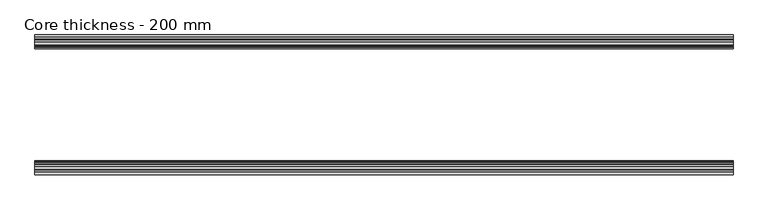
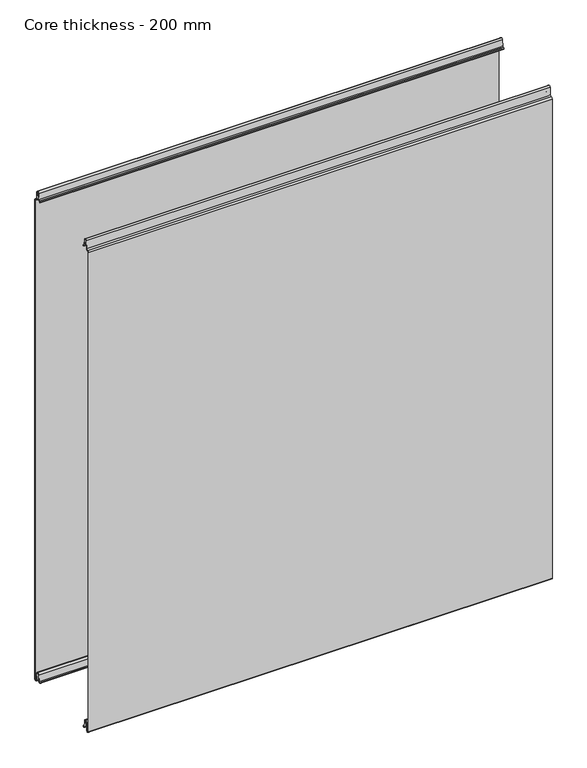
"""IFC4 building model written with IfcOpenShell, lengths in millimetres: plate geometry, Core thickness - 200 mm."""

from ifc_helpers import new_model, si_unit, frame, origin, place, context, project, spatial, polyline, circle_curve, source, transform, mapped, element, save
from ifc_brep_helpers import plane_surface, cylinder_surface, revolved_surface, advanced_brep


def core_thickness_200_mm_48825341(model_context):
    return source(origin(), model_context, "Body", "AdvancedBrep", [
        advanced_brep(
        [(500.0000002, -199.1996949, 1093.8000005), (500.0000002, -196.6339815, 1096.1942726), (500.0000002, -193.1209335, 1099.1779769), (500.0000002, -191.4584333, 1116.1334653), (500.0000002, -189.1776715, 1118.1999998), (500.0000002, -186.8969097, 1116.1334653), (500.0000002, -185.5642071, 1102.5415123), (500.0000002, -182.9766159, 1100.1952279), (500.0000002, -181.8996949, 1100.1952279), (500.0000002, -181.2996949, 1099.5952279), (500.0000002, -181.2996949, 1098.4952279), (500.0000002, -180.4996949, 1098.4952279), (500.0000002, -180.4996949, 1099.5952279), (500.0000002, -181.8996949, 1100.9952279), (500.0000002, -182.9766159, 1100.9952279), (500.0000002, -184.7680252, 1102.6195786), (500.0000002, -186.1007278, 1116.2115316), (500.0000002, -189.1776715, 1119.0), (500.0000002, -192.2546153, 1116.2115316), (500.0000002, -193.9171154, 1099.2560432), (500.0000002, -196.5778021, 1097.005967), (500.0000002, -199.9996949, 1093.8000005), (500.0000002, -199.9996949, 2.9900682), (500.0000002, -193.81449, 2.6875612), (500.0000002, -192.197116, 19.1828169), (500.0000002, -189.1776715, 21.8898782), (500.0000002, -186.1582271, 19.1828169), (500.0000002, -184.7725998, 5.0510966), (500.0000002, -180.3830995, 5.265779), (500.0000002, -181.1830995, 5.265779), (500.0000002, -183.9764178, 5.1291629), (500.0000002, -185.3620451, 19.2608832), (500.0000002, -189.1776715, 22.6899182), (500.0000002, -192.9932979, 19.2608832), (500.0000002, -194.6106719, 2.7656275), (500.0000002, -199.1996949, 2.9900682), (-500.0000002, -199.2, 1093.8000005), (-500.0000002, -199.2, 2.9900682), (-500.0000002, -194.6106719, 2.7656275), (-500.0000002, -192.9932979, 19.2608832), (-500.0000002, -189.1776715, 22.6899182), (-500.0000002, -185.3620451, 19.2608832), (-500.0000002, -183.9764178, 5.1291629), (-500.0000002, -181.1830995, 5.265779), (-500.0000002, -180.3830995, 5.265779), (-500.0000002, -184.7725998, 5.0510966), (-500.0000002, -186.1582271, 19.1828169), (-500.0000002, -189.1776715, 21.8898782), (-500.0000002, -192.197116, 19.1828169), (-500.0000002, -193.81449, 2.6875612), (-500.0000002, -199.9996949, 2.9900682), (-500.0000002, -199.9996949, 1093.8000005), (-500.0000002, -196.5787437, 1096.9923633), (-500.0000002, -193.9171154, 1099.2560432), (-500.0000002, -192.2546153, 1116.2115316), (-500.0000002, -189.1776715, 1119.0), (-500.0000002, -186.1007278, 1116.2115316), (-500.0000002, -184.7680252, 1102.6195786), (-500.0000002, -182.9766159, 1100.9952279), (-500.0000002, -181.8996949, 1100.9952279), (-500.0000002, -180.4996949, 1099.5952279), (-500.0000002, -180.4996949, 1098.4952279), (-500.0000002, -181.2996949, 1098.4952279), (-500.0000002, -181.2996949, 1099.5952279), (-500.0000002, -181.8996949, 1100.1952279), (-500.0000002, -182.9766159, 1100.1952279), (-500.0000002, -185.5642071, 1102.5415123), (-500.0000002, -186.8969097, 1116.1334653), (-500.0000002, -189.1776715, 1118.1999998), (-500.0000002, -191.4584333, 1116.1334653), (-500.0000002, -193.1209335, 1099.1779769), (-500.0000002, -196.6330399, 1096.2078763)],
        [
            (0, 1, circle_curve(frame((500.0000002, -196.7996949, 1093.8000005), z_axis=(-1.0, 0.0, 0.0), x_axis=(0.0, 0.0, -1.0)), 2.4)),
            (1, 2, circle_curve(frame((500.0000002, -196.4051839, 1099.5000005), z_axis=(1.0, 0.0, 0.0), x_axis=(0.0, 0.0, -1.0)), 3.3)),
            (2, 3),
            (3, 4, circle_curve(frame((500.0000002, -189.1793626, 1115.9100005), z_axis=(-1.0, 0.0, 0.0), x_axis=(0.0, 0.0, -1.0)), 2.29)),
            (4, 5, circle_curve(frame((500.0000002, -189.1759805, 1115.9100005), z_axis=(-1.0, 0.0, 0.0), x_axis=(0.0, 0.0, -1.0)), 2.29)),
            (5, 6),
            (6, 7, circle_curve(frame((500.0000002, -182.9766159, 1102.7952279), z_axis=(1.0, 0.0, 0.0), x_axis=(0.0, 0.0, -1.0)), 2.6)),
            (7, 8),
            (8, 9, circle_curve(frame((500.0000002, -181.8996949, 1099.5952279), z_axis=(-1.0, 0.0, 0.0), x_axis=(0.0, 0.0, -1.0)), 0.6)),
            (9, 10),
            (10, 11),
            (11, 12),
            (12, 13, circle_curve(frame((500.0000002, -181.8996949, 1099.5952279), z_axis=(1.0, 0.0, 0.0), x_axis=(0.0, 0.0, -1.0)), 1.4)),
            (13, 14),
            (14, 15, circle_curve(frame((500.0000002, -182.9766159, 1102.7952279), z_axis=(-1.0, 0.0, 0.0), x_axis=(0.0, 0.0, -1.0)), 1.8)),
            (15, 16),
            (16, 17, circle_curve(frame((500.0000002, -189.1759805, 1115.9100005), z_axis=(1.0, 0.0, 0.0), x_axis=(0.0, 0.0, -1.0)), 3.09)),
            (17, 18, circle_curve(frame((500.0000002, -189.1793626, 1115.9100005), z_axis=(1.0, 0.0, 0.0), x_axis=(0.0, 0.0, -1.0)), 3.09)),
            (18, 19),
            (19, 20, circle_curve(frame((500.0000002, -196.4051839, 1099.5000005), z_axis=(-1.0, 0.0, 0.0), x_axis=(0.0, 0.0, -1.0)), 2.5)),
            (20, 21, circle_curve(frame((500.0000002, -196.7996949, 1093.8000005), z_axis=(1.0, 0.0, 0.0), x_axis=(0.0, 0.0, -1.0)), 3.2)),
            (21, 22),
            (22, 23, circle_curve(frame((500.0000002, -196.8996949, 2.9900682), z_axis=(1.0, 0.0, 0.0), x_axis=(0.0, 0.0, -1.0)), 3.1)),
            (23, 24),
            (24, 25, circle_curve(frame((500.0000002, -189.2114338, 18.8900682), z_axis=(-1.0, 0.0, 0.0), x_axis=(0.0, 0.0, -1.0)), 3.0)),
            (25, 26, circle_curve(frame((500.0000002, -189.1439093, 18.8900682), z_axis=(-1.0, 0.0, 0.0), x_axis=(0.0, 0.0, -1.0)), 3.0)),
            (26, 27),
            (27, 28, circle_curve(frame((500.0000002, -182.5830995, 5.265779), z_axis=(1.0, 0.0, 0.0), x_axis=(0.0, 0.0, -1.0)), 2.2)),
            (28, 29),
            (29, 30, circle_curve(frame((500.0000002, -182.5830995, 5.265779), z_axis=(-1.0, 0.0, 0.0), x_axis=(0.0, 0.0, -1.0)), 1.4)),
            (30, 31),
            (31, 32, circle_curve(frame((500.0000002, -189.1439093, 18.8900682), z_axis=(1.0, 0.0, 0.0), x_axis=(0.0, 0.0, -1.0)), 3.8)),
            (32, 33, circle_curve(frame((500.0000002, -189.2114338, 18.8900682), z_axis=(1.0, 0.0, 0.0), x_axis=(0.0, 0.0, -1.0)), 3.8)),
            (33, 34),
            (34, 35, circle_curve(frame((500.0000002, -196.8996949, 2.9900682), z_axis=(-1.0, 0.0, 0.0), x_axis=(0.0, 0.0, -1.0)), 2.3)),
            (35, 0),
            (36, 37),
            (37, 38, circle_curve(frame((-500.0000002, -196.8996949, 2.9900682), z_axis=(1.0, 0.0, 0.0), x_axis=(0.0, 0.0, -1.0)), 2.3)),
            (38, 39),
            (39, 40, circle_curve(frame((-500.0000002, -189.2114338, 18.8900682), z_axis=(-1.0, 0.0, 0.0), x_axis=(0.0, 0.0, -1.0)), 3.8)),
            (40, 41, circle_curve(frame((-500.0000002, -189.1439093, 18.8900682), z_axis=(-1.0, 0.0, 0.0), x_axis=(0.0, 0.0, -1.0)), 3.8)),
            (41, 42),
            (42, 43, circle_curve(frame((-500.0000002, -182.5830995, 5.265779), z_axis=(1.0, 0.0, 0.0), x_axis=(0.0, 0.0, -1.0)), 1.4)),
            (43, 44),
            (44, 45, circle_curve(frame((-500.0000002, -182.5830995, 5.265779), z_axis=(-1.0, 0.0, 0.0), x_axis=(0.0, 0.0, -1.0)), 2.2)),
            (45, 46),
            (46, 47, circle_curve(frame((-500.0000002, -189.1439093, 18.8900682), z_axis=(1.0, 0.0, 0.0), x_axis=(0.0, 0.0, -1.0)), 3.0)),
            (47, 48, circle_curve(frame((-500.0000002, -189.2114338, 18.8900682), z_axis=(1.0, 0.0, 0.0), x_axis=(0.0, 0.0, -1.0)), 3.0)),
            (48, 49),
            (49, 50, circle_curve(frame((-500.0000002, -196.8996949, 2.9900682), z_axis=(-1.0, 0.0, 0.0), x_axis=(0.0, 0.0, -1.0)), 3.1)),
            (50, 51),
            (51, 52, circle_curve(frame((-500.0000002, -196.7996949, 1093.8000005), z_axis=(-1.0, 0.0, 0.0), x_axis=(0.0, 0.0, -1.0)), 3.2)),
            (52, 53, circle_curve(frame((-500.0000002, -196.4051839, 1099.5000005), z_axis=(1.0, 0.0, 0.0), x_axis=(0.0, 0.0, -1.0)), 2.5)),
            (53, 54),
            (54, 55, circle_curve(frame((-500.0000002, -189.1793626, 1115.9100005), z_axis=(-1.0, 0.0, 0.0), x_axis=(0.0, 0.0, -1.0)), 3.09)),
            (55, 56, circle_curve(frame((-500.0000002, -189.1759805, 1115.9100005), z_axis=(-1.0, 0.0, 0.0), x_axis=(0.0, 0.0, -1.0)), 3.09)),
            (56, 57),
            (57, 58, circle_curve(frame((-500.0000002, -182.9766159, 1102.7952279), z_axis=(1.0, 0.0, 0.0), x_axis=(0.0, 0.0, -1.0)), 1.8)),
            (58, 59),
            (59, 60, circle_curve(frame((-500.0000002, -181.8996949, 1099.5952279), z_axis=(-1.0, 0.0, 0.0), x_axis=(0.0, 0.0, -1.0)), 1.4)),
            (60, 61),
            (61, 62),
            (62, 63),
            (63, 64, circle_curve(frame((-500.0000002, -181.8996949, 1099.5952279), z_axis=(1.0, 0.0, 0.0), x_axis=(0.0, 0.0, -1.0)), 0.6)),
            (64, 65),
            (65, 66, circle_curve(frame((-500.0000002, -182.9766159, 1102.7952279), z_axis=(-1.0, 0.0, 0.0), x_axis=(0.0, 0.0, -1.0)), 2.6)),
            (66, 67),
            (67, 68, circle_curve(frame((-500.0000002, -189.1759805, 1115.9100005), z_axis=(1.0, 0.0, 0.0), x_axis=(0.0, 0.0, -1.0)), 2.29)),
            (68, 69, circle_curve(frame((-500.0000002, -189.1793626, 1115.9100005), z_axis=(1.0, 0.0, 0.0), x_axis=(0.0, 0.0, -1.0)), 2.29)),
            (69, 70),
            (70, 71, circle_curve(frame((-500.0000002, -196.4051839, 1099.5000005), z_axis=(-1.0, 0.0, 0.0), x_axis=(0.0, 0.0, -1.0)), 3.3)),
            (71, 36, circle_curve(frame((-500.0000002, -196.7996949, 1093.8000005), z_axis=(1.0, 0.0, 0.0), x_axis=(0.0, 0.0, -1.0)), 2.4)),
            (35, 37),
            (36, 0),
            (21, 51),
            (50, 22),
            (20, 52),
            (19, 53),
            (18, 54),
            (17, 55),
            (16, 56),
            (15, 57),
            (14, 58),
            (13, 59),
            (12, 60),
            (11, 61),
            (10, 62),
            (9, 63),
            (8, 64),
            (7, 65),
            (6, 66),
            (5, 67),
            (4, 68),
            (3, 69),
            (2, 70),
            (1, 71),
            (34, 38),
            (33, 39),
            (32, 40),
            (31, 41),
            (30, 42),
            (29, 43),
            (28, 44),
            (27, 45),
            (26, 46),
            (25, 47),
            (24, 48),
            (23, 49),
        ],
        [
            plane_surface(frame((500.0000002, -200.0, 0.0), z_axis=(1.0, 0.0, 0.0), x_axis=(0.0, 1.0, 0.0))),
            plane_surface(frame((-500.0000002, -200.0, 0.0), z_axis=(-1.0, 0.0, 0.0), x_axis=(0.0, 1.0, 0.0))),
            plane_surface(frame((500.0000002, -199.2, 2.9900682), z_axis=(0.0, 1.0, 0.0), x_axis=(-1.0, 0.0, 0.0))),
            plane_surface(frame((500.0000002, -199.9996949, 1093.8000005), z_axis=(0.0, -1.0, 0.0), x_axis=(-1.0, 0.0, 0.0))),
            cylinder_surface(frame((500.0000002, -196.7996949, 1093.8000005), z_axis=(1.0, 0.0, 0.0), x_axis=(0.0, 0.0, -1.0)), 3.2),
            revolved_surface(polyline([(-500.0000002, -196.4051839, 1097.0000005), (500.0000002, -196.4051839, 1097.0000005)]), (500.0000002, -196.4051839, 1099.5000005), (-1.0, 0.0, 0.0)),
            plane_surface(frame((500.0000002, -192.2546153, 1116.2115316), z_axis=(0.0, -0.9952273999818317, 0.0975828997591444), x_axis=(-1.0, 0.0, 0.0))),
            cylinder_surface(frame((500.0000002, -189.1793626, 1115.9100005), z_axis=(1.0, 0.0, 0.0), x_axis=(0.0, 0.0, -1.0)), 3.09),
            cylinder_surface(frame((500.0000002, -189.1759805, 1115.9100005), z_axis=(1.0, 0.0, 0.0), x_axis=(0.0, 0.0, -1.0)), 3.09),
            plane_surface(frame((500.0000002, -184.7680252, 1102.6195786), z_axis=(0.0, 0.9952273999818314, 0.0975828997591471), x_axis=(-1.0, 0.0, 0.0))),
            revolved_surface(polyline([(-500.0000002, -182.9766159, 1100.9952279000001), (500.0000002, -182.9766159, 1100.9952279000001)]), (500.0000002, -182.9766159, 1102.7952279), (-1.0, 0.0, 0.0)),
            plane_surface(frame((500.0000002, -181.8996949, 1100.9952279), z_axis=(0.0, 0.0, 1.0), x_axis=(-1.0, 0.0, 0.0))),
            cylinder_surface(frame((500.0000002, -181.8996949, 1099.5952279), z_axis=(1.0, 0.0, 0.0), x_axis=(0.0, 0.0, -1.0)), 1.4),
            plane_surface(frame((500.0000002, -180.4996949, 1098.4952279), z_axis=(0.0, 1.0, 0.0), x_axis=(-1.0, 0.0, 0.0))),
            plane_surface(frame((500.0000002, -181.2996949, 1098.4952279), z_axis=(0.0, 0.0, -1.0), x_axis=(-1.0, 0.0, 0.0))),
            plane_surface(frame((500.0000002, -181.2996949, 1099.5952279), z_axis=(0.0, -1.0, 0.0), x_axis=(-1.0, 0.0, 0.0))),
            revolved_surface(polyline([(-500.0000002, -181.8996949, 1098.9952279000001), (500.0000002, -181.8996949, 1098.9952279000001)]), (500.0000002, -181.8996949, 1099.5952279), (-1.0, 0.0, 0.0)),
            plane_surface(frame((500.0000002, -182.9766159, 1100.1952279), z_axis=(0.0, 0.0, -1.0), x_axis=(-1.0, 0.0, 0.0))),
            cylinder_surface(frame((500.0000002, -182.9766159, 1102.7952279), z_axis=(1.0, 0.0, 0.0), x_axis=(0.0, 0.0, -1.0)), 2.6),
            plane_surface(frame((500.0000002, -186.8969097, 1116.1334653), z_axis=(0.0, -0.9952273999818314, -0.09758289975914705), x_axis=(-1.0, 0.0, 0.0))),
            revolved_surface(polyline([(-500.0000002, -189.1759805, 1113.6200005), (500.0000002, -189.1759805, 1113.6200005)]), (500.0000002, -189.1759805, 1115.9100005), (-1.0, 0.0, 0.0)),
            revolved_surface(polyline([(-500.0000002, -189.1793626, 1113.6200005), (500.0000002, -189.1793626, 1113.6200005)]), (500.0000002, -189.1793626, 1115.9100005), (-1.0, 0.0, 0.0)),
            plane_surface(frame((500.0000002, -193.1209335, 1099.1779769), z_axis=(0.0, 0.9952273999818317, -0.09758289975914436), x_axis=(-1.0, 0.0, 0.0))),
            cylinder_surface(frame((500.0000002, -196.4051839, 1099.5000005), z_axis=(1.0, 0.0, 0.0), x_axis=(0.0, 0.0, -1.0)), 3.3),
            revolved_surface(polyline([(-500.0000002, -196.7996949, 1091.4000004999998), (500.0000002, -196.7996949, 1091.4000004999998)]), (500.0000002, -196.7996949, 1093.8000005), (-1.0, 0.0, 0.0)),
            revolved_surface(polyline([(-500.0000002, -196.8996949, 0.6900682000000002), (500.0000002, -196.8996949, 0.6900682000000002)]), (500.0000002, -196.8996949, 2.9900682), (-1.0, 0.0, 0.0)),
            plane_surface(frame((500.0000002, -192.9932979, 19.2608832), z_axis=(0.0, -0.9952273999818314, 0.09758289975914787), x_axis=(-1.0, 0.0, 0.0))),
            cylinder_surface(frame((500.0000002, -189.2114338, 18.8900682), z_axis=(1.0, 0.0, 0.0), x_axis=(0.0, 0.0, -1.0)), 3.8),
            cylinder_surface(frame((500.0000002, -189.1439093, 18.8900682), z_axis=(1.0, 0.0, 0.0), x_axis=(0.0, 0.0, -1.0)), 3.8),
            plane_surface(frame((500.0000002, -183.9764178, 5.1291629), z_axis=(0.0, 0.9952273999818297, 0.09758289975916531), x_axis=(-1.0, 0.0, 0.0))),
            revolved_surface(polyline([(-500.0000002, -182.5830995, 3.8657790000000003), (500.0000002, -182.5830995, 3.8657790000000003)]), (500.0000002, -182.5830995, 5.265779), (-1.0, 0.0, 0.0)),
            plane_surface(frame((500.0000002, -180.3830995, 5.265779), z_axis=(0.0, 0.0, 1.0), x_axis=(-1.0, 0.0, 0.0))),
            cylinder_surface(frame((500.0000002, -182.5830995, 5.265779), z_axis=(1.0, 0.0, 0.0), x_axis=(0.0, 0.0, -1.0)), 2.2),
            plane_surface(frame((500.0000002, -186.1582271, 19.1828169), z_axis=(0.0, -0.9952273999818296, -0.09758289975916527), x_axis=(-1.0, 0.0, 0.0))),
            revolved_surface(polyline([(-500.0000002, -189.1439093, 15.890068200000002), (500.0000002, -189.1439093, 15.890068200000002)]), (500.0000002, -189.1439093, 18.8900682), (-1.0, 0.0, 0.0)),
            revolved_surface(polyline([(-500.0000002, -189.2114338, 15.890068200000002), (500.0000002, -189.2114338, 15.890068200000002)]), (500.0000002, -189.2114338, 18.8900682), (-1.0, 0.0, 0.0)),
            plane_surface(frame((500.0000002, -193.81449, 2.6875612), z_axis=(0.0, 0.9952273999818314, -0.09758289975914787), x_axis=(-1.0, 0.0, 0.0))),
            cylinder_surface(frame((500.0000002, -196.8996949, 2.9900682), z_axis=(1.0, 0.0, 0.0), x_axis=(0.0, 0.0, -1.0)), 3.1),
        ],
        [
            (0, [[1, 2, 3, 4, 5, 6, 7, 8, 9, 10, 11, 12, 13, 14, 15, 16, 17, 18, 19, 20, 21, 22, 23, 24, 25, 26, 27, 28, 29, 30, 31, 32, 33, 34, 35, 36]]),
            (1, [[37, 38, 39, 40, 41, 42, 43, 44, 45, 46, 47, 48, 49, 50, 51, 52, 53, 54, 55, 56, 57, 58, 59, 60, 61, 62, 63, 64, 65, 66, 67, 68, 69, 70, 71, 72]]),
            (2, [[-36, 73, -37, 74]]),
            (3, [[-22, 75, -51, 76]]),
            (4, [[-21, 77, -52, -75]]),
            (5, [[-20, 78, -53, -77]]),
            (6, [[-19, 79, -54, -78]]),
            (7, [[-18, 80, -55, -79]]),
            (8, [[-17, 81, -56, -80]]),
            (9, [[-16, 82, -57, -81]]),
            (10, [[-15, 83, -58, -82]]),
            (11, [[-14, 84, -59, -83]]),
            (12, [[-13, 85, -60, -84]]),
            (13, [[-12, 86, -61, -85]]),
            (14, [[-11, 87, -62, -86]]),
            (15, [[-10, 88, -63, -87]]),
            (16, [[-9, 89, -64, -88]]),
            (17, [[-8, 90, -65, -89]]),
            (18, [[-7, 91, -66, -90]]),
            (19, [[-6, 92, -67, -91]]),
            (20, [[-5, 93, -68, -92]]),
            (21, [[-4, 94, -69, -93]]),
            (22, [[-3, 95, -70, -94]]),
            (23, [[-2, 96, -71, -95]]),
            (24, [[-1, -74, -72, -96]]),
            (25, [[-35, 97, -38, -73]]),
            (26, [[-34, 98, -39, -97]]),
            (27, [[-33, 99, -40, -98]]),
            (28, [[-32, 100, -41, -99]]),
            (29, [[-31, 101, -42, -100]]),
            (30, [[-30, 102, -43, -101]]),
            (31, [[-29, 103, -44, -102]]),
            (32, [[-28, 104, -45, -103]]),
            (33, [[-27, 105, -46, -104]]),
            (34, [[-26, 106, -47, -105]]),
            (35, [[-25, 107, -48, -106]]),
            (36, [[-24, 108, -49, -107]]),
            (37, [[-23, -76, -50, -108]]),
        ],
    ),
        advanced_brep(
        [(500.0000002, -0.8, 1093.8000005), (500.0000002, -0.8, 2.9900682), (500.0000002, -5.3893281, 2.7656275), (500.0000002, -7.0067021, 19.2608832), (500.0000002, -10.8223285, 22.6899182), (500.0000002, -14.6379549, 19.2608832), (500.0000002, -16.0235822, 5.1291629), (500.0000002, -18.8169005, 5.265779), (500.0000002, -19.6169005, 5.265779), (500.0000002, -15.2274002, 5.0510966), (500.0000002, -13.8417729, 19.1828169), (500.0000002, -10.8223285, 21.8898782), (500.0000002, -7.802884, 19.1828169), (500.0000002, -6.18551, 2.6875612), (500.0000002, -0.0003051, 2.9900682), (500.0000002, -0.0003051, 1093.8000005), (500.0000002, -3.4212563, 1096.9923633), (500.0000002, -6.0828846, 1099.2560432), (500.0000002, -7.7453847, 1116.2115316), (500.0000002, -10.8223285, 1119.0), (500.0000002, -13.8992722, 1116.2115316), (500.0000002, -15.2319748, 1102.6195786), (500.0000002, -17.0233841, 1100.9952279), (500.0000002, -18.1003051, 1100.9952279), (500.0000002, -19.5003051, 1099.5952279), (500.0000002, -19.5003051, 1098.4952279), (500.0000002, -18.7003051, 1098.4952279), (500.0000002, -18.7003051, 1099.5952279), (500.0000002, -18.1003051, 1100.1952279), (500.0000002, -17.0233841, 1100.1952279), (500.0000002, -14.4357929, 1102.5415123), (500.0000002, -13.1030903, 1116.1334653), (500.0000002, -10.8223285, 1118.1999998), (500.0000002, -8.5415667, 1116.1334653), (500.0000002, -6.8790665, 1099.1779769), (500.0000002, -3.3669601, 1096.2078763), (-500.0000002, -0.8003051, 1093.8000005), (-500.0000002, -3.3660185, 1096.1942726), (-500.0000002, -6.8790665, 1099.1779769), (-500.0000002, -8.5415667, 1116.1334653), (-500.0000002, -10.8223285, 1118.1999998), (-500.0000002, -13.1030903, 1116.1334653), (-500.0000002, -14.4357929, 1102.5415123), (-500.0000002, -17.0233841, 1100.1952279), (-500.0000002, -18.1003051, 1100.1952279), (-500.0000002, -18.7003051, 1099.5952279), (-500.0000002, -18.7003051, 1098.4952279), (-500.0000002, -19.5003051, 1098.4952279), (-500.0000002, -19.5003051, 1099.5952279), (-500.0000002, -18.1003051, 1100.9952279), (-500.0000002, -17.0233841, 1100.9952279), (-500.0000002, -15.2319748, 1102.6195786), (-500.0000002, -13.8992722, 1116.2115316), (-500.0000002, -10.8223285, 1119.0), (-500.0000002, -7.7453847, 1116.2115316), (-500.0000002, -6.0828846, 1099.2560432), (-500.0000002, -3.4221979, 1097.005967), (-500.0000002, -0.0003051, 1093.8000005), (-500.0000002, -0.0003051, 2.9900682), (-500.0000002, -6.18551, 2.6875612), (-500.0000002, -7.802884, 19.1828169), (-500.0000002, -10.8223285, 21.8898782), (-500.0000002, -13.8417729, 19.1828169), (-500.0000002, -15.2274002, 5.0510966), (-500.0000002, -19.6169005, 5.265779), (-500.0000002, -18.8169005, 5.265779), (-500.0000002, -16.0235822, 5.1291629), (-500.0000002, -14.6379549, 19.2608832), (-500.0000002, -10.8223285, 22.6899182), (-500.0000002, -7.0067021, 19.2608832), (-500.0000002, -5.3893281, 2.7656275), (-500.0000002, -0.8003051, 2.9900682)],
        [
            (0, 1),
            (1, 2, circle_curve(frame((500.0000002, -3.1003051, 2.9900682), z_axis=(-1.0, 0.0, 0.0), x_axis=(0.0, 0.0, -1.0)), 2.3)),
            (2, 3),
            (3, 4, circle_curve(frame((500.0000002, -10.7885662, 18.8900682), z_axis=(1.0, 0.0, 0.0), x_axis=(0.0, 0.0, -1.0)), 3.8)),
            (4, 5, circle_curve(frame((500.0000002, -10.8560907, 18.8900682), z_axis=(1.0, 0.0, 0.0), x_axis=(0.0, 0.0, -1.0)), 3.8)),
            (5, 6),
            (6, 7, circle_curve(frame((500.0000002, -17.4169005, 5.265779), z_axis=(-1.0, 0.0, 0.0), x_axis=(0.0, 0.0, -1.0)), 1.4)),
            (7, 8),
            (8, 9, circle_curve(frame((500.0000002, -17.4169005, 5.265779), z_axis=(1.0, 0.0, 0.0), x_axis=(0.0, 0.0, -1.0)), 2.2)),
            (9, 10),
            (10, 11, circle_curve(frame((500.0000002, -10.8560907, 18.8900682), z_axis=(-1.0, 0.0, 0.0), x_axis=(0.0, 0.0, -1.0)), 3.0)),
            (11, 12, circle_curve(frame((500.0000002, -10.7885662, 18.8900682), z_axis=(-1.0, 0.0, 0.0), x_axis=(0.0, 0.0, -1.0)), 3.0)),
            (12, 13),
            (13, 14, circle_curve(frame((500.0000002, -3.1003051, 2.9900682), z_axis=(1.0, 0.0, 0.0), x_axis=(0.0, 0.0, -1.0)), 3.1)),
            (14, 15),
            (15, 16, circle_curve(frame((500.0000002, -3.2003051, 1093.8000005), z_axis=(1.0, 0.0, 0.0), x_axis=(0.0, 0.0, -1.0)), 3.2)),
            (16, 17, circle_curve(frame((500.0000002, -3.5948161, 1099.5000005), z_axis=(-1.0, 0.0, 0.0), x_axis=(0.0, 0.0, -1.0)), 2.5)),
            (17, 18),
            (18, 19, circle_curve(frame((500.0000002, -10.8206374, 1115.9100005), z_axis=(1.0, 0.0, 0.0), x_axis=(0.0, 0.0, -1.0)), 3.09)),
            (19, 20, circle_curve(frame((500.0000002, -10.8240195, 1115.9100005), z_axis=(1.0, 0.0, 0.0), x_axis=(0.0, 0.0, -1.0)), 3.09)),
            (20, 21),
            (21, 22, circle_curve(frame((500.0000002, -17.0233841, 1102.7952279), z_axis=(-1.0, 0.0, 0.0), x_axis=(0.0, 0.0, -1.0)), 1.8)),
            (22, 23),
            (23, 24, circle_curve(frame((500.0000002, -18.1003051, 1099.5952279), z_axis=(1.0, 0.0, 0.0), x_axis=(0.0, 0.0, -1.0)), 1.4)),
            (24, 25),
            (25, 26),
            (26, 27),
            (27, 28, circle_curve(frame((500.0000002, -18.1003051, 1099.5952279), z_axis=(-1.0, 0.0, 0.0), x_axis=(0.0, 0.0, -1.0)), 0.6)),
            (28, 29),
            (29, 30, circle_curve(frame((500.0000002, -17.0233841, 1102.7952279), z_axis=(1.0, 0.0, 0.0), x_axis=(0.0, 0.0, -1.0)), 2.6)),
            (30, 31),
            (31, 32, circle_curve(frame((500.0000002, -10.8240195, 1115.9100005), z_axis=(-1.0, 0.0, 0.0), x_axis=(0.0, 0.0, -1.0)), 2.29)),
            (32, 33, circle_curve(frame((500.0000002, -10.8206374, 1115.9100005), z_axis=(-1.0, 0.0, 0.0), x_axis=(0.0, 0.0, -1.0)), 2.29)),
            (33, 34),
            (34, 35, circle_curve(frame((500.0000002, -3.5948161, 1099.5000005), z_axis=(1.0, 0.0, 0.0), x_axis=(0.0, 0.0, -1.0)), 3.3)),
            (35, 0, circle_curve(frame((500.0000002, -3.2003051, 1093.8000005), z_axis=(-1.0, 0.0, 0.0), x_axis=(0.0, 0.0, -1.0)), 2.4)),
            (36, 37, circle_curve(frame((-500.0000002, -3.2003051, 1093.8000005), z_axis=(1.0, 0.0, 0.0), x_axis=(0.0, 0.0, -1.0)), 2.4)),
            (37, 38, circle_curve(frame((-500.0000002, -3.5948161, 1099.5000005), z_axis=(-1.0, 0.0, 0.0), x_axis=(0.0, 0.0, -1.0)), 3.3)),
            (38, 39),
            (39, 40, circle_curve(frame((-500.0000002, -10.8206374, 1115.9100005), z_axis=(1.0, 0.0, 0.0), x_axis=(0.0, 0.0, -1.0)), 2.29)),
            (40, 41, circle_curve(frame((-500.0000002, -10.8240195, 1115.9100005), z_axis=(1.0, 0.0, 0.0), x_axis=(0.0, 0.0, -1.0)), 2.29)),
            (41, 42),
            (42, 43, circle_curve(frame((-500.0000002, -17.0233841, 1102.7952279), z_axis=(-1.0, 0.0, 0.0), x_axis=(0.0, 0.0, -1.0)), 2.6)),
            (43, 44),
            (44, 45, circle_curve(frame((-500.0000002, -18.1003051, 1099.5952279), z_axis=(1.0, 0.0, 0.0), x_axis=(0.0, 0.0, -1.0)), 0.6)),
            (45, 46),
            (46, 47),
            (47, 48),
            (48, 49, circle_curve(frame((-500.0000002, -18.1003051, 1099.5952279), z_axis=(-1.0, 0.0, 0.0), x_axis=(0.0, 0.0, -1.0)), 1.4)),
            (49, 50),
            (50, 51, circle_curve(frame((-500.0000002, -17.0233841, 1102.7952279), z_axis=(1.0, 0.0, 0.0), x_axis=(0.0, 0.0, -1.0)), 1.8)),
            (51, 52),
            (52, 53, circle_curve(frame((-500.0000002, -10.8240195, 1115.9100005), z_axis=(-1.0, 0.0, 0.0), x_axis=(0.0, 0.0, -1.0)), 3.09)),
            (53, 54, circle_curve(frame((-500.0000002, -10.8206374, 1115.9100005), z_axis=(-1.0, 0.0, 0.0), x_axis=(0.0, 0.0, -1.0)), 3.09)),
            (54, 55),
            (55, 56, circle_curve(frame((-500.0000002, -3.5948161, 1099.5000005), z_axis=(1.0, 0.0, 0.0), x_axis=(0.0, 0.0, -1.0)), 2.5)),
            (56, 57, circle_curve(frame((-500.0000002, -3.2003051, 1093.8000005), z_axis=(-1.0, 0.0, 0.0), x_axis=(0.0, 0.0, -1.0)), 3.2)),
            (57, 58),
            (58, 59, circle_curve(frame((-500.0000002, -3.1003051, 2.9900682), z_axis=(-1.0, 0.0, 0.0), x_axis=(0.0, 0.0, -1.0)), 3.1)),
            (59, 60),
            (60, 61, circle_curve(frame((-500.0000002, -10.7885662, 18.8900682), z_axis=(1.0, 0.0, 0.0), x_axis=(0.0, 0.0, -1.0)), 3.0)),
            (61, 62, circle_curve(frame((-500.0000002, -10.8560907, 18.8900682), z_axis=(1.0, 0.0, 0.0), x_axis=(0.0, 0.0, -1.0)), 3.0)),
            (62, 63),
            (63, 64, circle_curve(frame((-500.0000002, -17.4169005, 5.265779), z_axis=(-1.0, 0.0, 0.0), x_axis=(0.0, 0.0, -1.0)), 2.2)),
            (64, 65),
            (65, 66, circle_curve(frame((-500.0000002, -17.4169005, 5.265779), z_axis=(1.0, 0.0, 0.0), x_axis=(0.0, 0.0, -1.0)), 1.4)),
            (66, 67),
            (67, 68, circle_curve(frame((-500.0000002, -10.8560907, 18.8900682), z_axis=(-1.0, 0.0, 0.0), x_axis=(0.0, 0.0, -1.0)), 3.8)),
            (68, 69, circle_curve(frame((-500.0000002, -10.7885662, 18.8900682), z_axis=(-1.0, 0.0, 0.0), x_axis=(0.0, 0.0, -1.0)), 3.8)),
            (69, 70),
            (70, 71, circle_curve(frame((-500.0000002, -3.1003051, 2.9900682), z_axis=(1.0, 0.0, 0.0), x_axis=(0.0, 0.0, -1.0)), 2.3)),
            (71, 36),
            (35, 37),
            (36, 0),
            (34, 38),
            (33, 39),
            (32, 40),
            (31, 41),
            (30, 42),
            (29, 43),
            (28, 44),
            (27, 45),
            (26, 46),
            (25, 47),
            (24, 48),
            (23, 49),
            (22, 50),
            (21, 51),
            (20, 52),
            (19, 53),
            (18, 54),
            (17, 55),
            (16, 56),
            (15, 57),
            (14, 58),
            (71, 1),
            (13, 59),
            (12, 60),
            (11, 61),
            (10, 62),
            (9, 63),
            (8, 64),
            (7, 65),
            (6, 66),
            (5, 67),
            (4, 68),
            (3, 69),
            (2, 70),
        ],
        [
            plane_surface(frame((500.0000002, 0.0, 0.0), z_axis=(1.0, 0.0, 0.0), x_axis=(0.0, -1.0, 0.0))),
            plane_surface(frame((-500.0000002, 0.0, 0.0), z_axis=(-1.0, 0.0, 0.0), x_axis=(0.0, -1.0, 0.0))),
            revolved_surface(polyline([(-500.0000002, -3.2003051, 1091.4000004999998), (500.0000002, -3.2003051, 1091.4000004999998)]), (500.0000002, -3.2003051, 1093.8000005), (-1.0, 0.0, 0.0)),
            cylinder_surface(frame((500.0000002, -3.5948161, 1099.5000005), z_axis=(1.0, 0.0, 0.0), x_axis=(0.0, 0.0, -1.0)), 3.3),
            plane_surface(frame((500.0000002, -8.5415667, 1116.1334653), z_axis=(0.0, -0.9952273999818317, -0.09758289975914436), x_axis=(-1.0, 0.0, 0.0))),
            revolved_surface(polyline([(-500.0000002, -10.8206374, 1113.6200005), (500.0000002, -10.8206374, 1113.6200005)]), (500.0000002, -10.8206374, 1115.9100005), (-1.0, 0.0, 0.0)),
            revolved_surface(polyline([(-500.0000002, -10.8240195, 1113.6200005), (500.0000002, -10.8240195, 1113.6200005)]), (500.0000002, -10.8240195, 1115.9100005), (-1.0, 0.0, 0.0)),
            plane_surface(frame((500.0000002, -14.4357929, 1102.5415123), z_axis=(0.0, 0.9952273999818314, -0.09758289975914705), x_axis=(-1.0, 0.0, 0.0))),
            cylinder_surface(frame((500.0000002, -17.0233841, 1102.7952279), z_axis=(1.0, 0.0, 0.0), x_axis=(0.0, 0.0, -1.0)), 2.6),
            plane_surface(frame((500.0000002, -18.1003051, 1100.1952279), z_axis=(0.0, 0.0, -1.0), x_axis=(-1.0, 0.0, 0.0))),
            revolved_surface(polyline([(-500.0000002, -18.1003051, 1098.9952279000001), (500.0000002, -18.1003051, 1098.9952279000001)]), (500.0000002, -18.1003051, 1099.5952279), (-1.0, 0.0, 0.0)),
            plane_surface(frame((500.0000002, -18.7003051, 1098.4952279), z_axis=(0.0, 1.0, 0.0), x_axis=(-1.0, 0.0, 0.0))),
            plane_surface(frame((500.0000002, -19.5003051, 1098.4952279), z_axis=(0.0, 0.0, -1.0), x_axis=(-1.0, 0.0, 0.0))),
            plane_surface(frame((500.0000002, -19.5003051, 1099.5952279), z_axis=(0.0, -1.0, 0.0), x_axis=(-1.0, 0.0, 0.0))),
            cylinder_surface(frame((500.0000002, -18.1003051, 1099.5952279), z_axis=(1.0, 0.0, 0.0), x_axis=(0.0, 0.0, -1.0)), 1.4),
            plane_surface(frame((500.0000002, -17.0233841, 1100.9952279), z_axis=(0.0, 0.0, 1.0), x_axis=(-1.0, 0.0, 0.0))),
            revolved_surface(polyline([(-500.0000002, -17.0233841, 1100.9952279000001), (500.0000002, -17.0233841, 1100.9952279000001)]), (500.0000002, -17.0233841, 1102.7952279), (-1.0, 0.0, 0.0)),
            plane_surface(frame((500.0000002, -13.8992722, 1116.2115316), z_axis=(0.0, -0.9952273999818314, 0.0975828997591471), x_axis=(-1.0, 0.0, 0.0))),
            cylinder_surface(frame((500.0000002, -10.8240195, 1115.9100005), z_axis=(1.0, 0.0, 0.0), x_axis=(0.0, 0.0, -1.0)), 3.09),
            cylinder_surface(frame((500.0000002, -10.8206374, 1115.9100005), z_axis=(1.0, 0.0, 0.0), x_axis=(0.0, 0.0, -1.0)), 3.09),
            plane_surface(frame((500.0000002, -6.0828846, 1099.2560432), z_axis=(0.0, 0.9952273999818317, 0.0975828997591444), x_axis=(-1.0, 0.0, 0.0))),
            revolved_surface(polyline([(-500.0000002, -3.5948161, 1097.0000005), (500.0000002, -3.5948161, 1097.0000005)]), (500.0000002, -3.5948161, 1099.5000005), (-1.0, 0.0, 0.0)),
            cylinder_surface(frame((500.0000002, -3.2003051, 1093.8000005), z_axis=(1.0, 0.0, 0.0), x_axis=(0.0, 0.0, -1.0)), 3.2),
            plane_surface(frame((500.0000002, -0.0003051, 2.9900682), z_axis=(0.0, 1.0, 0.0), x_axis=(-1.0, 0.0, 0.0))),
            plane_surface(frame((500.0000002, -0.8, 1093.8000005), z_axis=(0.0, -1.0, 0.0), x_axis=(-1.0, 0.0, 0.0))),
            cylinder_surface(frame((500.0000002, -3.1003051, 2.9900682), z_axis=(1.0, 0.0, 0.0), x_axis=(0.0, 0.0, -1.0)), 3.1),
            plane_surface(frame((500.0000002, -7.802884, 19.1828169), z_axis=(0.0, -0.9952273999818314, -0.09758289975914787), x_axis=(-1.0, 0.0, 0.0))),
            revolved_surface(polyline([(-500.0000002, -10.7885662, 15.890068200000002), (500.0000002, -10.7885662, 15.890068200000002)]), (500.0000002, -10.7885662, 18.8900682), (-1.0, 0.0, 0.0)),
            revolved_surface(polyline([(-500.0000002, -10.8560907, 15.890068200000002), (500.0000002, -10.8560907, 15.890068200000002)]), (500.0000002, -10.8560907, 18.8900682), (-1.0, 0.0, 0.0)),
            plane_surface(frame((500.0000002, -15.2274002, 5.0510966), z_axis=(0.0, 0.9952273999818296, -0.09758289975916527), x_axis=(-1.0, 0.0, 0.0))),
            cylinder_surface(frame((500.0000002, -17.4169005, 5.265779), z_axis=(1.0, 0.0, 0.0), x_axis=(0.0, 0.0, -1.0)), 2.2),
            plane_surface(frame((500.0000002, -18.8169005, 5.265779), z_axis=(0.0, 0.0, 1.0), x_axis=(-1.0, 0.0, 0.0))),
            revolved_surface(polyline([(-500.0000002, -17.4169005, 3.8657790000000003), (500.0000002, -17.4169005, 3.8657790000000003)]), (500.0000002, -17.4169005, 5.265779), (-1.0, 0.0, 0.0)),
            plane_surface(frame((500.0000002, -14.6379549, 19.2608832), z_axis=(0.0, -0.9952273999818297, 0.09758289975916531), x_axis=(-1.0, 0.0, 0.0))),
            cylinder_surface(frame((500.0000002, -10.8560907, 18.8900682), z_axis=(1.0, 0.0, 0.0), x_axis=(0.0, 0.0, -1.0)), 3.8),
            cylinder_surface(frame((500.0000002, -10.7885662, 18.8900682), z_axis=(1.0, 0.0, 0.0), x_axis=(0.0, 0.0, -1.0)), 3.8),
            plane_surface(frame((500.0000002, -5.3893281, 2.7656275), z_axis=(0.0, 0.9952273999818314, 0.09758289975914787), x_axis=(-1.0, 0.0, 0.0))),
            revolved_surface(polyline([(-500.0000002, -3.1003051, 0.6900682000000002), (500.0000002, -3.1003051, 0.6900682000000002)]), (500.0000002, -3.1003051, 2.9900682), (-1.0, 0.0, 0.0)),
        ],
        [
            (0, [[1, 2, 3, 4, 5, 6, 7, 8, 9, 10, 11, 12, 13, 14, 15, 16, 17, 18, 19, 20, 21, 22, 23, 24, 25, 26, 27, 28, 29, 30, 31, 32, 33, 34, 35, 36]]),
            (1, [[37, 38, 39, 40, 41, 42, 43, 44, 45, 46, 47, 48, 49, 50, 51, 52, 53, 54, 55, 56, 57, 58, 59, 60, 61, 62, 63, 64, 65, 66, 67, 68, 69, 70, 71, 72]]),
            (2, [[-36, 73, -37, 74]]),
            (3, [[-35, 75, -38, -73]]),
            (4, [[-34, 76, -39, -75]]),
            (5, [[-33, 77, -40, -76]]),
            (6, [[-32, 78, -41, -77]]),
            (7, [[-31, 79, -42, -78]]),
            (8, [[-30, 80, -43, -79]]),
            (9, [[-29, 81, -44, -80]]),
            (10, [[-28, 82, -45, -81]]),
            (11, [[-27, 83, -46, -82]]),
            (12, [[-26, 84, -47, -83]]),
            (13, [[-25, 85, -48, -84]]),
            (14, [[-24, 86, -49, -85]]),
            (15, [[-23, 87, -50, -86]]),
            (16, [[-22, 88, -51, -87]]),
            (17, [[-21, 89, -52, -88]]),
            (18, [[-20, 90, -53, -89]]),
            (19, [[-19, 91, -54, -90]]),
            (20, [[-18, 92, -55, -91]]),
            (21, [[-17, 93, -56, -92]]),
            (22, [[-16, 94, -57, -93]]),
            (23, [[-15, 95, -58, -94]]),
            (24, [[-1, -74, -72, 96]]),
            (25, [[-14, 97, -59, -95]]),
            (26, [[-13, 98, -60, -97]]),
            (27, [[-12, 99, -61, -98]]),
            (28, [[-11, 100, -62, -99]]),
            (29, [[-10, 101, -63, -100]]),
            (30, [[-9, 102, -64, -101]]),
            (31, [[-8, 103, -65, -102]]),
            (32, [[-7, 104, -66, -103]]),
            (33, [[-6, 105, -67, -104]]),
            (34, [[-5, 106, -68, -105]]),
            (35, [[-4, 107, -69, -106]]),
            (36, [[-3, 108, -70, -107]]),
            (37, [[-2, -96, -71, -108]]),
        ],
    ),
    ])


if __name__ == "__main__":
    model = new_model("IFC4")
    model_context = context("Model", 3, world=origin())
    ifc_project = project(units=[si_unit("LENGTHUNIT", "METRE", prefix="MILLI")], contexts=[model_context])
    site = spatial("IfcSite", under=ifc_project)
    building = spatial("IfcBuilding", under=site)
    placement = place(None, origin())
    core_thickness_200_mm_shape = core_thickness_200_mm_48825341(model_context)
    element("IfcPlate", 1, ObjectType="Core thickness - 200 mm", at=placement, inside=building, context=model_context, shape_type="MappedRepresentation", body=[
        mapped(core_thickness_200_mm_shape, transform((0.0, 0.0, 0.0), x_axis=(1.0, 0.0, 0.0), y_axis=(0.0, 1.0, 0.0), z_axis=(0.0, 0.0, 1.0))),
    ])
    save(model, "model.ifc")
